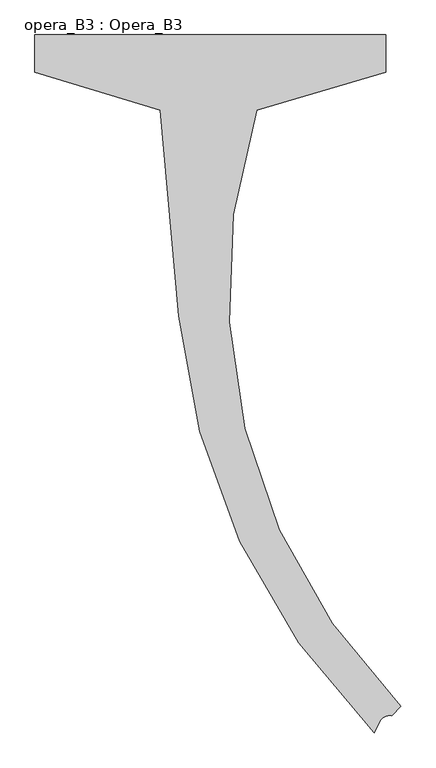
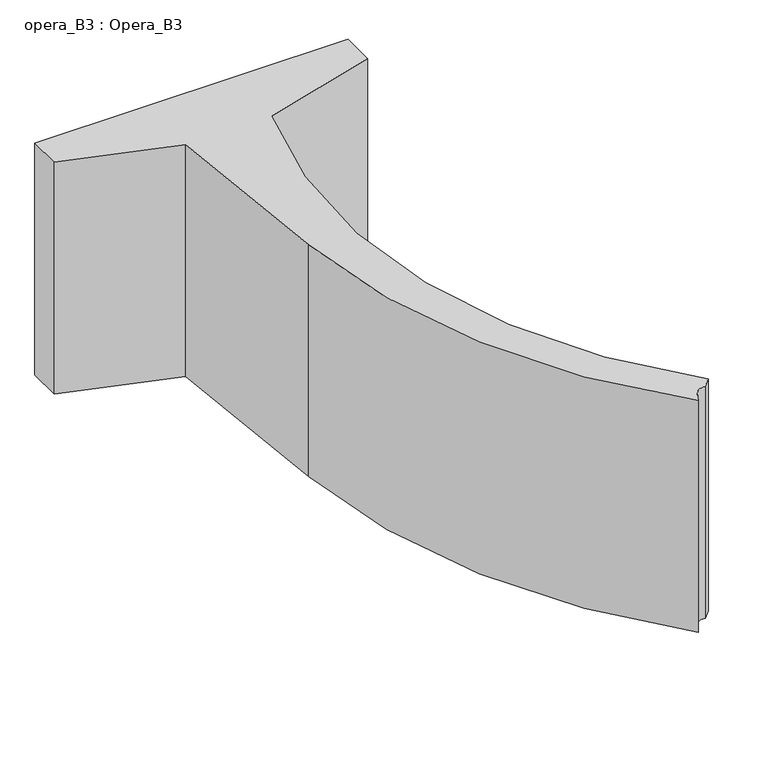
"""IFC4 building model written with IfcOpenShell, lengths in millimetres: proxy geometry, opera_B3 : Opera_B3."""

from ifc_helpers import new_model, si_unit, frame, origin, place, context, project, spatial, polyline, circle_curve, source, transform, mapped, element, save
from ifc_brep_helpers import plane_surface, cylinder_surface, revolved_surface, advanced_brep


def opera_b3_opera_b3_1d59dcb4(model_context):
    return source(origin(), model_context, "Body", "AdvancedBrep", [
        advanced_brep(
        [(-8556.5944789, 0.0, 0.0), (-8556.5944789, 0.0, 2190.0), (-5756.5944789, 0.0, 2190.0), (-5756.5944789, 0.0, 0.0), (-5756.5944789, -300.0, 2190.0), (-5756.5944789, -300.0, 0.0), (-6785.6353639, -600.0119198, 2190.0), (-6785.6353639, -600.0119198, 0.0), (-5635.0806756, -5363.4529228, 2190.0), (-5635.0806756, -5363.4529228, 0.0), (-5706.5422679, -5439.2340799, 2190.0), (-5706.5422679, -5439.2340799, 0.0), (-5801.7466238, -5486.5857113, 2190.0), (-5801.7466238, -5486.5857113, 0.0), (-5847.5944789, -5575.2340254, 2190.0), (-5847.5944789, -5575.2340254, 0.0), (-7406.5944789, -2247.0, 2190.0), (-7406.5944789, -2247.0, 0.0), (-7556.5944789, -600.0, 2190.0), (-7556.5944789, -600.0, 0.0), (-8556.5944789, -300.0, 2190.0), (-8556.5944789, -300.0, 0.0)],
        [
            (0, 1),
            (1, 2),
            (2, 3),
            (3, 0),
            (2, 4),
            (4, 5),
            (5, 3),
            (4, 6),
            (6, 7),
            (7, 5),
            (6, 8, circle_curve(frame((-2311.678804, -2040.0510513, 2190.0), z_axis=(0.0, 0.0, 1.0), x_axis=(-0.30639130456162333, -0.9519056510437502, 0.0)), 4700.0)),
            (8, 9),
            (9, 7, circle_curve(frame((-2311.678804, -2040.0510513, 0.0), z_axis=(0.0, 0.0, -1.0), x_axis=(-0.30639130456162333, -0.9519056510437502, 0.0)), 4700.0)),
            (8, 10),
            (10, 11),
            (11, 9),
            (10, 12, circle_curve(frame((-5721.8052987, -5527.9304152, 2190.0), z_axis=(0.0, 0.0, 1.0), x_axis=(-0.9855148363581497, 0.16958923113797533, 0.0)), 90.0)),
            (12, 13),
            (13, 11, circle_curve(frame((-5721.8052987, -5527.9304152, 0.0), z_axis=(0.0, 0.0, -1.0), x_axis=(-0.9855148363581497, 0.16958923113797533, 0.0)), 90.0)),
            (12, 14),
            (14, 15),
            (15, 13),
            (14, 16, circle_curve(frame((-2028.8515277, -1757.2237749, 2190.0), z_axis=(0.0, 0.0, -1.0), x_axis=(-0.7070389352683228, 0.7071746205956753, 0.0)), 5400.0)),
            (16, 17),
            (17, 15, circle_curve(frame((-2028.8515277, -1757.2237749, 0.0), z_axis=(0.0, 0.0, 1.0), x_axis=(-0.7070389352683228, 0.7071746205956753, 0.0)), 5400.0)),
            (16, 18),
            (18, 19),
            (19, 17),
            (18, 20),
            (20, 21),
            (21, 19),
            (20, 1),
            (0, 21),
        ],
        [
            plane_surface(frame((-7156.5944789, 0.0, 0.0), z_axis=(0.0, 1.0, 0.0), x_axis=(1.0, 0.0, 0.0))),
            plane_surface(frame((-5756.5944789, -150.0, 0.0), z_axis=(1.0, 0.0, 0.0), x_axis=(0.0, -1.0, 0.0))),
            plane_surface(frame((-6271.1149214, -450.0059599, 0.0), z_axis=(0.27989251951769434, -0.9600313419456873, 0.0), x_axis=(-0.9600313419456873, -0.27989251951769434, 0.0))),
            revolved_surface(polyline([(-3751.71793543963, -6514.007611205626, 2190.0), (-3751.71793543963, -6514.007611205626, 0.0)]), (-2311.678804, -2040.0510513, 0.0), (0.0, 0.0, 1.0)),
            plane_surface(frame((-5670.793573, -5401.3613999, 0.0), z_axis=(0.7272043200195965, -0.6864210638848698, 0.0), x_axis=(-0.6864210638848698, -0.7272043200195965, 0.0))),
            revolved_surface(polyline([(-5810.501633972233, -5512.667384397582, 2190.0), (-5810.501633972233, -5512.667384397582, 0.0)]), (-5721.8052987, -5527.9304152, 0.0), (0.0, 0.0, 1.0)),
            plane_surface(frame((-5824.6705513, -5530.9098684, 0.0), z_axis=(0.888236945763492, -0.4593855985778652, 0.0), x_axis=(-0.4593855985778652, -0.888236945763492, 0.0))),
            cylinder_surface(frame((-2028.8515277, -1757.2237749, 0.0), z_axis=(0.0, 0.0, 1.0), x_axis=(-0.7070389352683228, 0.7071746205956753, 0.0)), 5400.0),
            plane_surface(frame((-7481.5944789, -1423.5, 0.0), z_axis=(-0.9958783242993864, -0.09069930093802467, 0.0), x_axis=(-0.09069930093802467, 0.9958783242993864, 0.0))),
            plane_surface(frame((-8056.5944789, -450.0, 0.0), z_axis=(-0.28734788556633367, -0.957826285221155, 0.0), x_axis=(-0.957826285221155, 0.28734788556633367, 0.0))),
            plane_surface(frame((-8556.5944789, -150.0, 0.0), z_axis=(-1.0, 0.0, 0.0), x_axis=(0.0, 1.0, 0.0))),
            plane_surface(frame((-6669.648226, -2355.5958597, 2190.0), z_axis=(0.0, 0.0, 1.0), x_axis=(1.0, 0.0, 0.0))),
            plane_surface(frame((-6669.6514803, -2355.5926054, 0.0), z_axis=(0.0, 0.0, -1.0), x_axis=(0.0, -1.0, 0.0))),
        ],
        [
            (0, [[1, 2, 3, 4]]),
            (1, [[-3, 5, 6, 7]]),
            (2, [[-6, 8, 9, 10]]),
            (3, [[-9, 11, 12, 13]]),
            (4, [[-12, 14, 15, 16]]),
            (5, [[-15, 17, 18, 19]]),
            (6, [[-18, 20, 21, 22]]),
            (7, [[-21, 23, 24, 25]]),
            (8, [[-24, 26, 27, 28]]),
            (9, [[-27, 29, 30, 31]]),
            (10, [[-30, 32, -1, 33]]),
            (11, [[-32, -29, -26, -23, -20, -17, -14, -11, -8, -5, -2]]),
            (12, [[-4, -7, -10, -13, -16, -19, -22, -25, -28, -31, -33]]),
        ],
    ),
    ])


if __name__ == "__main__":
    model = new_model("IFC4")
    model_context = context("Model", 3, world=origin())
    ifc_project = project(units=[si_unit("LENGTHUNIT", "METRE", prefix="MILLI")], contexts=[model_context])
    site = spatial("IfcSite", under=ifc_project)
    building = spatial("IfcBuilding", under=site)
    placement = place(None, origin())
    opera_b3_opera_b3_shape = opera_b3_opera_b3_1d59dcb4(model_context)
    element("IfcBuildingElementProxy", 1, Name="opera_B3 : Opera_B3", ObjectType="opera_B3 : Opera_B3", at=placement, inside=building, context=model_context, shape_type="MappedRepresentation", body=[
        mapped(opera_b3_opera_b3_shape, transform((0.0, 0.0, 0.0), x_axis=(1.0, 0.0, 0.0), y_axis=(0.0, 1.0, 0.0), z_axis=(0.0, 0.0, 1.0))),
    ])
    save(model, "model.ifc")
